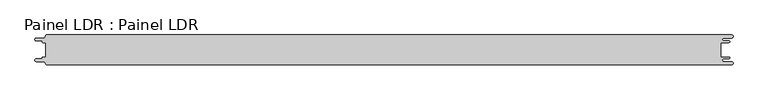
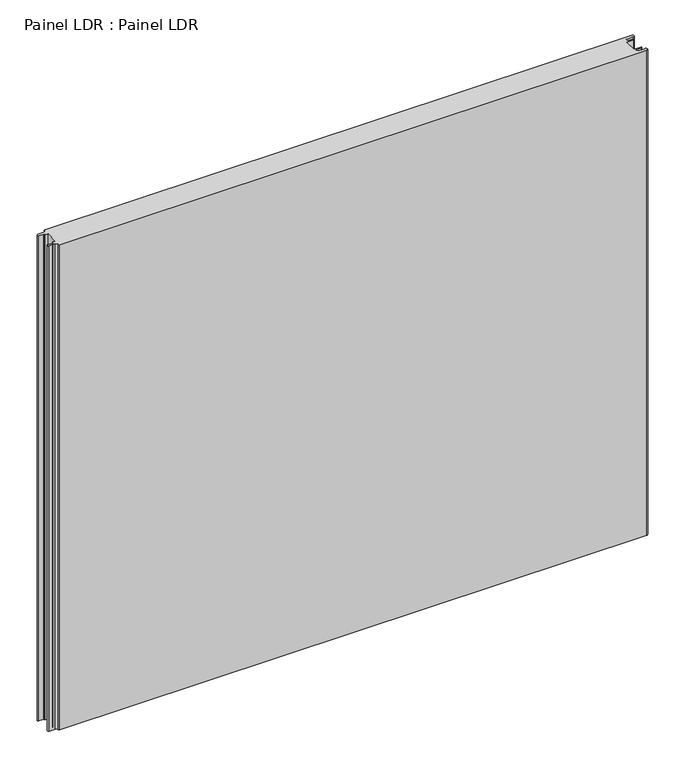
"""IFC4 building model written with IfcOpenShell, lengths in millimetres: proxy geometry, Painel LDR : Painel LDR."""

from ifc_helpers import new_model, si_unit, frame, origin, place, context, project, spatial, polyline, circle_curve, source, transform, mapped, element, save
from ifc_brep_helpers import plane_surface, cylinder_surface, revolved_surface, advanced_brep


def painel_ldr_painel_ldr_d6b6a5f5(model_context):
    return source(origin(), model_context, "Body", "AdvancedBrep", [
        advanced_brep(
        [(-579.5093748, -12.3, 1000.0), (-580.1093748, -12.9, 1000.0), (-580.1093748, -13.7085184, 1000.0), (-581.5093751, -15.1085187, 1000.0), (-590.4875, -15.1085187, 1000.0), (-590.4875, -19.5085185, 1000.0), (-578.471875, -19.5085185, 1000.0), (-574.921875, -23.0585185, 1000.0), (-572.971875, -25.0, 1000.0), (572.284375, -25.0, 1000.0), (572.284375, -19.725, 1000.0), (559.378125, -19.725, 1000.0), (559.378125, -14.875, 1000.0), (568.0406253, -14.875, 1000.0), (568.0406253, -12.3, 1000.0), (554.1906253, -12.3, 1000.0), (554.1906253, 12.3, 1000.0), (568.0406253, 12.3, 1000.0), (568.0406253, 14.875, 1000.0), (559.378125, 14.875, 1000.0), (559.378125, 19.725, 1000.0), (572.284375, 19.725, 1000.0), (572.284375, 25.0, 1000.0), (-572.971875, 25.0, 1000.0), (-574.921875, 23.05, 1000.0), (-578.471875, 19.5085185, 1000.0), (-590.4875, 19.5085185, 1000.0), (-590.4875, 15.1085185, 1000.0), (-581.5093753, 15.1085185, 1000.0), (-580.1093753, 13.7085185, 1000.0), (-580.1093753, 12.9, 1000.0), (-579.5093748, 12.2999995, 1000.0), (-574.2218362, 12.2999995, 1000.0), (-574.2218362, -12.3, 1000.0), (-579.5093748, -12.3, 0.0), (-574.2218362, -12.3, 0.0), (-574.2218362, 12.2999995, 0.0), (-579.5093748, 12.2999995, 0.0), (-580.1093753, 12.9, 0.0), (-580.1093753, 13.7085185, 0.0), (-581.5093753, 15.1085185, 0.0), (-590.4875, 15.1085185, 0.0), (-590.4875, 19.5085185, 0.0), (-578.471875, 19.5085185, 0.0), (-574.921875, 23.0585185, 0.0), (-572.971875, 25.0, 0.0), (572.284375, 25.0, 0.0), (572.284375, 19.725, 0.0), (559.378125, 19.725, 0.0), (559.378125, 14.875, 0.0), (568.0406253, 14.875, 0.0), (568.0406253, 12.3, 0.0), (554.1906253, 12.3, 0.0), (554.1906253, -12.3, 0.0), (568.0406253, -12.3, 0.0), (568.0406253, -14.875, 0.0), (559.378125, -14.875, 0.0), (559.378125, -19.725, 0.0), (572.284375, -19.725, 0.0), (572.284375, -25.0, 0.0), (-572.971875, -25.0, 0.0), (-574.921875, -23.05, 0.0), (-578.471875, -19.5085185, 0.0), (-590.4875, -19.5085185, 0.0), (-590.4875, -15.1085187, 0.0), (-581.5093751, -15.1085187, 0.0), (-580.1093748, -13.7085184, 0.0), (-580.1093748, -12.9, 0.0)],
        [
            (0, 1, circle_curve(frame((-579.5093748, -12.9, 1000.0), z_axis=(0.0, 0.0, 1.0), x_axis=(1.0, 0.0, 0.0)), 0.6)),
            (1, 2),
            (2, 3, circle_curve(frame((-581.5093751, -13.7085184, 1000.0), z_axis=(0.0, 0.0, -1.0), x_axis=(1.0, 0.0, 0.0)), 1.4000003)),
            (3, 4),
            (4, 5, circle_curve(frame((-590.4875, -17.3085186, 1000.0), z_axis=(0.0, 0.0, 1.0), x_axis=(1.0, 0.0, 0.0)), 2.1999999)),
            (5, 6),
            (6, 7, circle_curve(frame((-578.471875, -23.0585185, 1000.0), z_axis=(0.0, 0.0, -1.0), x_axis=(1.0, 0.0, 0.0)), 3.55)),
            (7, 8, circle_curve(frame((-572.971875, -23.05, 1000.0), z_axis=(0.0, 0.0, 1.0), x_axis=(1.0, 0.0, 0.0)), 1.95)),
            (8, 9),
            (9, 10, circle_curve(frame((572.284375, -22.3625, 1000.0), z_axis=(0.0, 0.0, 1.0), x_axis=(1.0, 0.0, 0.0)), 2.6375)),
            (10, 11),
            (11, 12, circle_curve(frame((559.378125, -17.3, 1000.0), z_axis=(0.0, 0.0, -1.0), x_axis=(1.0, 0.0, 0.0)), 2.425)),
            (12, 13),
            (13, 14, circle_curve(frame((568.0406253, -13.5875, 1000.0), z_axis=(0.0, 0.0, 1.0), x_axis=(1.0, 0.0, 0.0)), 1.2875)),
            (14, 15),
            (15, 16),
            (16, 17),
            (17, 18, circle_curve(frame((568.0406253, 13.5875, 1000.0), z_axis=(0.0, 0.0, 1.0), x_axis=(1.0, 0.0, 0.0)), 1.2875)),
            (18, 19),
            (19, 20, circle_curve(frame((559.378125, 17.3, 1000.0), z_axis=(0.0, 0.0, -1.0), x_axis=(1.0, 0.0, 0.0)), 2.425)),
            (20, 21),
            (21, 22, circle_curve(frame((572.284375, 22.3625, 1000.0), z_axis=(0.0, 0.0, 1.0), x_axis=(1.0, 0.0, 0.0)), 2.6375)),
            (22, 23),
            (23, 24, circle_curve(frame((-572.971875, 23.05, 1000.0), z_axis=(0.0, 0.0, 1.0), x_axis=(1.0, 0.0, 0.0)), 1.95)),
            (24, 25, circle_curve(frame((-578.471875, 23.0585185, 1000.0), z_axis=(0.0, 0.0, -1.0), x_axis=(1.0, 0.0, 0.0)), 3.55)),
            (25, 26),
            (26, 27, circle_curve(frame((-590.4875, 17.3085185, 1000.0), z_axis=(0.0, 0.0, 1.0), x_axis=(1.0, 0.0, 0.0)), 2.2)),
            (27, 28),
            (28, 29, circle_curve(frame((-581.5093753, 13.7085185, 1000.0), z_axis=(0.0, 0.0, -1.0), x_axis=(1.0, 0.0, 0.0)), 1.4)),
            (29, 30),
            (30, 31, circle_curve(frame((-579.5093748, 12.9, 1000.0), z_axis=(0.0, 0.0, 1.0), x_axis=(1.0, 0.0, 0.0)), 0.6000005)),
            (31, 32),
            (32, 33),
            (33, 0),
            (34, 35),
            (35, 36),
            (36, 37),
            (37, 38, circle_curve(frame((-579.5093748, 12.9, 0.0), z_axis=(0.0, 0.0, -1.0), x_axis=(1.0, 0.0, 0.0)), 0.6000005)),
            (38, 39),
            (39, 40, circle_curve(frame((-581.5093753, 13.7085185, 0.0), z_axis=(0.0, 0.0, 1.0), x_axis=(1.0, 0.0, 0.0)), 1.4)),
            (40, 41),
            (41, 42, circle_curve(frame((-590.4875, 17.3085185, 0.0), z_axis=(0.0, 0.0, -1.0), x_axis=(1.0, 0.0, 0.0)), 2.2)),
            (42, 43),
            (43, 44, circle_curve(frame((-578.471875, 23.0585185, 0.0), z_axis=(0.0, 0.0, 1.0), x_axis=(1.0, 0.0, 0.0)), 3.55)),
            (44, 45, circle_curve(frame((-572.971875, 23.05, 0.0), z_axis=(0.0, 0.0, -1.0), x_axis=(1.0, 0.0, 0.0)), 1.95)),
            (45, 46),
            (46, 47, circle_curve(frame((572.284375, 22.3625, 0.0), z_axis=(0.0, 0.0, -1.0), x_axis=(1.0, 0.0, 0.0)), 2.6375)),
            (47, 48),
            (48, 49, circle_curve(frame((559.378125, 17.3, 0.0), z_axis=(0.0, 0.0, 1.0), x_axis=(1.0, 0.0, 0.0)), 2.425)),
            (49, 50),
            (50, 51, circle_curve(frame((568.0406253, 13.5875, 0.0), z_axis=(0.0, 0.0, -1.0), x_axis=(1.0, 0.0, 0.0)), 1.2875)),
            (51, 52),
            (52, 53),
            (53, 54),
            (54, 55, circle_curve(frame((568.0406253, -13.5875, 0.0), z_axis=(0.0, 0.0, -1.0), x_axis=(1.0, 0.0, 0.0)), 1.2875)),
            (55, 56),
            (56, 57, circle_curve(frame((559.378125, -17.3, 0.0), z_axis=(0.0, 0.0, 1.0), x_axis=(1.0, 0.0, 0.0)), 2.425)),
            (57, 58),
            (58, 59, circle_curve(frame((572.284375, -22.3625, 0.0), z_axis=(0.0, 0.0, -1.0), x_axis=(1.0, 0.0, 0.0)), 2.6375)),
            (59, 60),
            (60, 61, circle_curve(frame((-572.971875, -23.05, 0.0), z_axis=(0.0, 0.0, -1.0), x_axis=(1.0, 0.0, 0.0)), 1.95)),
            (61, 62, circle_curve(frame((-578.471875, -23.0585185, 0.0), z_axis=(0.0, 0.0, 1.0), x_axis=(1.0, 0.0, 0.0)), 3.55)),
            (62, 63),
            (63, 64, circle_curve(frame((-590.4875, -17.3085186, 0.0), z_axis=(0.0, 0.0, -1.0), x_axis=(1.0, 0.0, 0.0)), 2.1999999)),
            (64, 65),
            (65, 66, circle_curve(frame((-581.5093751, -13.7085184, 0.0), z_axis=(0.0, 0.0, 1.0), x_axis=(1.0, 0.0, 0.0)), 1.4000003)),
            (66, 67),
            (67, 34, circle_curve(frame((-579.5093748, -12.9, 0.0), z_axis=(0.0, 0.0, -1.0), x_axis=(1.0, 0.0, 0.0)), 0.6)),
            (33, 35),
            (34, 0),
            (32, 36),
            (31, 37),
            (30, 38),
            (29, 39),
            (28, 40),
            (27, 41),
            (26, 42),
            (25, 43),
            (24, 44),
            (23, 45),
            (22, 46),
            (15, 53),
            (52, 16),
            (14, 54),
            (13, 55),
            (12, 56),
            (11, 57),
            (10, 58),
            (9, 59),
            (8, 60),
            (7, 61),
            (6, 62),
            (5, 63),
            (4, 64),
            (3, 65),
            (2, 66),
            (1, 67),
            (21, 47),
            (20, 48),
            (19, 49),
            (18, 50),
            (17, 51),
        ],
        [
            plane_surface(frame((-574.2218362, -12.3, 1000.0), z_axis=(0.0, 0.0, 1.0), x_axis=(1.0, 0.0, 0.0))),
            plane_surface(frame((-574.2218362, -12.3, 0.0), z_axis=(0.0, 0.0, -1.0), x_axis=(-1.0, 0.0, 0.0))),
            plane_surface(frame((-579.5093748, -12.3, 1000.0), z_axis=(0.0, 1.0, 0.0), x_axis=(0.0, 0.0, -1.0))),
            plane_surface(frame((-574.2218362, -12.3, 1000.0), z_axis=(-1.0, 0.0, 0.0), x_axis=(0.0, 0.0, -1.0))),
            plane_surface(frame((-574.2218362, 12.2999995, 1000.0), z_axis=(0.0, -1.0, 0.0), x_axis=(0.0, 0.0, -1.0))),
            cylinder_surface(frame((-579.5093748, 12.9, 0.0), z_axis=(0.0, 0.0, 1.0), x_axis=(1.0, 0.0, 0.0)), 0.6000005),
            plane_surface(frame((-580.1093753, 12.9, 1000.0), z_axis=(-1.0, -1.757860866232943e-12, 0.0), x_axis=(0.0, 0.0, -1.0))),
            revolved_surface(polyline([(-580.1093753, 13.7085185, 0.0), (-580.1093753, 13.7085185, 1000.0)]), (-581.5093753, 13.7085185, 0.0), (0.0, 0.0, -1.0)),
            plane_surface(frame((-581.5093753, 15.1085185, 1000.0), z_axis=(0.0, -1.0, 0.0), x_axis=(0.0, 0.0, -1.0))),
            cylinder_surface(frame((-590.4875, 17.3085185, 0.0), z_axis=(0.0, 0.0, 1.0), x_axis=(1.0, 0.0, 0.0)), 2.2),
            plane_surface(frame((-590.4875, 19.5085185, 1000.0), z_axis=(0.0, 1.0, 0.0), x_axis=(0.0, 0.0, -1.0))),
            revolved_surface(polyline([(-574.921875, 23.0585185, 0.0), (-574.921875, 23.0585185, 1000.0)]), (-578.471875, 23.0585185, 0.0), (0.0, 0.0, -1.0)),
            cylinder_surface(frame((-572.971875, 23.05, 0.0), z_axis=(0.0, 0.0, 1.0), x_axis=(1.0, 0.0, 0.0)), 1.95),
            plane_surface(frame((-572.971875, 25.0, 1000.0), z_axis=(0.0, 1.0, 0.0), x_axis=(0.0, 0.0, -1.0))),
            plane_surface(frame((554.1906253, 12.3, 1000.0), z_axis=(1.0, 0.0, 0.0), x_axis=(0.0, 0.0, -1.0))),
            plane_surface(frame((554.1906253, -12.3, 1000.0), z_axis=(0.0, 1.0, 0.0), x_axis=(0.0, 0.0, -1.0))),
            cylinder_surface(frame((568.0406253, -13.5875, 0.0), z_axis=(0.0, 0.0, 1.0), x_axis=(1.0, 0.0, 0.0)), 1.2875),
            plane_surface(frame((568.0406253, -14.875, 1000.0), z_axis=(0.0, -1.0, 0.0), x_axis=(0.0, 0.0, -1.0))),
            revolved_surface(polyline([(561.8031249999999, -17.3, 0.0), (561.8031249999999, -17.3, 1000.0)]), (559.378125, -17.3, 0.0), (0.0, 0.0, -1.0)),
            plane_surface(frame((559.378125, -19.725, 1000.0), z_axis=(0.0, 1.0, 0.0), x_axis=(0.0, 0.0, -1.0))),
            cylinder_surface(frame((572.284375, -22.3625, 0.0), z_axis=(0.0, 0.0, 1.0), x_axis=(1.0, 0.0, 0.0)), 2.6375),
            plane_surface(frame((572.284375, -25.0, 1000.0), z_axis=(0.0, -1.0, 0.0), x_axis=(0.0, 0.0, -1.0))),
            cylinder_surface(frame((-572.971875, -23.05, 0.0), z_axis=(0.0, 0.0, 1.0), x_axis=(1.0, 0.0, 0.0)), 1.95),
            revolved_surface(polyline([(-574.921875, -23.0585185, 0.0), (-574.921875, -23.0585185, 1000.0)]), (-578.471875, -23.0585185, 0.0), (0.0, 0.0, -1.0)),
            plane_surface(frame((-578.471875, -19.5085185, 1000.0), z_axis=(0.0, -1.0, 0.0), x_axis=(0.0, 0.0, -1.0))),
            cylinder_surface(frame((-590.4875, -17.3085186, 0.0), z_axis=(0.0, 0.0, 1.0), x_axis=(1.0, 0.0, 0.0)), 2.1999999),
            plane_surface(frame((-590.4875, -15.1085187, 1000.0), z_axis=(0.0, 1.0, 0.0), x_axis=(0.0, 0.0, -1.0))),
            revolved_surface(polyline([(-580.1093748000001, -13.7085184, 0.0), (-580.1093748000001, -13.7085184, 1000.0)]), (-581.5093751, -13.7085184, 0.0), (0.0, 0.0, -1.0)),
            plane_surface(frame((-580.1093748, -13.7085184, 1000.0), z_axis=(-1.0, 0.0, 0.0), x_axis=(0.0, 0.0, -1.0))),
            cylinder_surface(frame((-579.5093748, -12.9, 0.0), z_axis=(0.0, 0.0, 1.0), x_axis=(1.0, 0.0, 0.0)), 0.6),
            cylinder_surface(frame((572.284375, 22.3625, 0.0), z_axis=(0.0, 0.0, 1.0), x_axis=(1.0, 0.0, 0.0)), 2.6375),
            plane_surface(frame((572.284375, 19.725, 1000.0), z_axis=(0.0, -1.0, 0.0), x_axis=(0.0, 0.0, -1.0))),
            revolved_surface(polyline([(561.8031249999999, 17.3, 0.0), (561.8031249999999, 17.3, 1000.0)]), (559.378125, 17.3, 0.0), (0.0, 0.0, -1.0)),
            plane_surface(frame((559.378125, 14.875, 1000.0), z_axis=(0.0, 1.0, 0.0), x_axis=(0.0, 0.0, -1.0))),
            cylinder_surface(frame((568.0406253, 13.5875, 0.0), z_axis=(0.0, 0.0, 1.0), x_axis=(1.0, 0.0, 0.0)), 1.2875),
            plane_surface(frame((568.0406253, 12.3, 1000.0), z_axis=(0.0, -1.0, 0.0), x_axis=(0.0, 0.0, -1.0))),
        ],
        [
            (0, [[1, 2, 3, 4, 5, 6, 7, 8, 9, 10, 11, 12, 13, 14, 15, 16, 17, 18, 19, 20, 21, 22, 23, 24, 25, 26, 27, 28, 29, 30, 31, 32, 33, 34]]),
            (1, [[35, 36, 37, 38, 39, 40, 41, 42, 43, 44, 45, 46, 47, 48, 49, 50, 51, 52, 53, 54, 55, 56, 57, 58, 59, 60, 61, 62, 63, 64, 65, 66, 67, 68]]),
            (2, [[69, -35, 70, -34]]),
            (3, [[71, -36, -69, -33]]),
            (4, [[72, -37, -71, -32]]),
            (5, [[73, -38, -72, -31]]),
            (6, [[74, -39, -73, -30]]),
            (7, [[75, -40, -74, -29]]),
            (8, [[76, -41, -75, -28]]),
            (9, [[77, -42, -76, -27]]),
            (10, [[78, -43, -77, -26]]),
            (11, [[79, -44, -78, -25]]),
            (12, [[80, -45, -79, -24]]),
            (13, [[81, -46, -80, -23]]),
            (14, [[82, -53, 83, -16]]),
            (15, [[84, -54, -82, -15]]),
            (16, [[85, -55, -84, -14]]),
            (17, [[86, -56, -85, -13]]),
            (18, [[87, -57, -86, -12]]),
            (19, [[88, -58, -87, -11]]),
            (20, [[89, -59, -88, -10]]),
            (21, [[90, -60, -89, -9]]),
            (22, [[91, -61, -90, -8]]),
            (23, [[92, -62, -91, -7]]),
            (24, [[93, -63, -92, -6]]),
            (25, [[94, -64, -93, -5]]),
            (26, [[95, -65, -94, -4]]),
            (27, [[96, -66, -95, -3]]),
            (28, [[97, -67, -96, -2]]),
            (29, [[-70, -68, -97, -1]]),
            (30, [[98, -47, -81, -22]]),
            (31, [[99, -48, -98, -21]]),
            (32, [[100, -49, -99, -20]]),
            (33, [[101, -50, -100, -19]]),
            (34, [[102, -51, -101, -18]]),
            (35, [[-83, -52, -102, -17]]),
        ],
    ),
    ])


if __name__ == "__main__":
    model = new_model("IFC4")
    model_context = context("Model", 3, world=origin())
    ifc_project = project(units=[si_unit("LENGTHUNIT", "METRE", prefix="MILLI")], contexts=[model_context])
    site = spatial("IfcSite", under=ifc_project)
    building = spatial("IfcBuilding", under=site)
    placement = place(None, origin())
    painel_ldr_painel_ldr_shape = painel_ldr_painel_ldr_d6b6a5f5(model_context)
    element("IfcBuildingElementProxy", 1, Name="Painel LDR : Painel LDR", ObjectType="Painel LDR : Painel LDR", at=placement, inside=building, context=model_context, shape_type="MappedRepresentation", body=[
        mapped(painel_ldr_painel_ldr_shape, transform((0.0, 0.0, 0.0), x_axis=(1.0, 0.0, 0.0), y_axis=(0.0, 1.0, 0.0), z_axis=(0.0, 0.0, 1.0))),
    ])
    save(model, "model.ifc")
